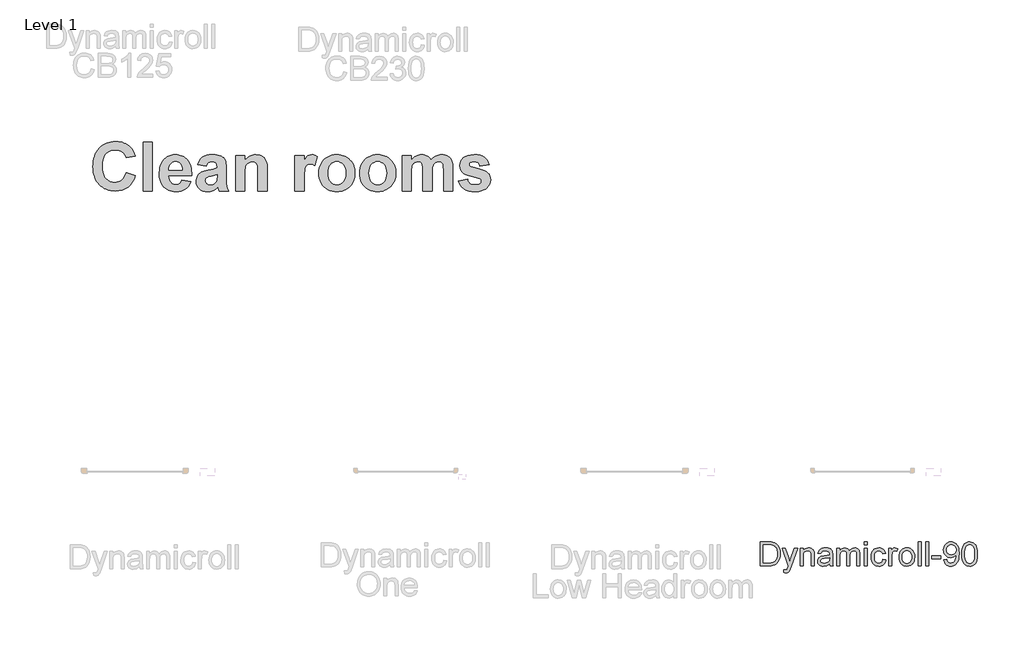
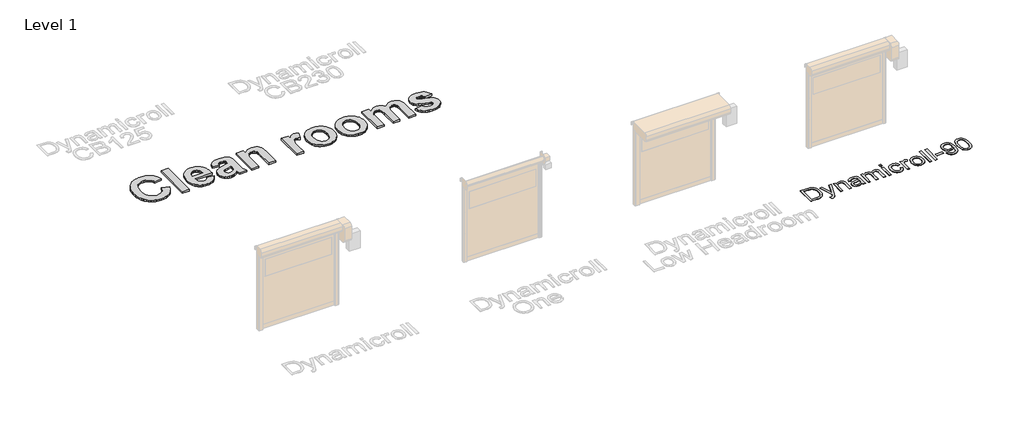
# One storey, part 15 of 18: 2 proxies.
"""IFC4 building model written with IfcOpenShell, lengths in millimetres."""

import ifcopenshell
import ifcopenshell.guid

model = None  # the IFC model being written
_history = None  # IfcOwnerHistory: only IFC2X3 demands one
_inside = {}  # id of a spatial element -> (the spatial element, [elements in it])
_under = {}  # id of a project, library or spatial element -> (it, [spatial elements below it])
_declared = {}  # id of a project -> (the project, [libraries it declares])
_typed = {}  # id of a type object -> (the type object, [elements of that type])
_made_of = {}  # id of a material, layer set ... -> (it, [elements and type objects made of it])


def new_model(schema):
    """Start an empty IFC model of exactly this schema.

    Asked for "IFC4X3", IfcOpenShell would pick the latest addendum, in which some entities
    have other attributes; the version numbers below select the first issue.
    IFC2X3 requires an IfcOwnerHistory on every rooted entity: one is made here for all.
    """
    global model, _history
    if schema == "IFC4X3":
        model = ifcopenshell.file(schema_version=(4, 3, 0, 0))
    else:
        model = ifcopenshell.file(schema=schema)
    _inside.clear()
    _under.clear()
    _declared.clear()
    _typed.clear()
    _made_of.clear()
    _history = None
    if model.schema == "IFC2X3":
        org = make("IfcOrganization", Name="unknown")
        user = make(
            "IfcPersonAndOrganization",
            ThePerson=make("IfcPerson", FamilyName="unknown"),
            TheOrganization=org,
        )
        app = make(
            "IfcApplication",
            ApplicationDeveloper=org,
            Version="unknown",
            ApplicationFullName="unknown",
            ApplicationIdentifier="unknown",
        )
        _history = make(
            "IfcOwnerHistory",
            OwningUser=user,
            OwningApplication=app,
            ChangeAction="ADDED",
            CreationDate=0,
        )
    return model


def make(cls, **values):
    """One entity of the class cls with the attributes given. An attribute that is None is left unset."""
    return model.create_entity(
        cls, **{name: value for name, value in values.items() if value is not None}
    )


def rooted(cls, **values):
    """An entity with a GlobalId (a new one), such as an element, a storey or a relation."""
    return make(cls, GlobalId=ifcopenshell.guid.new(), OwnerHistory=_history, **values)


def si_unit(unit_type, name, prefix=None):
    """IfcSIUnit, for example si_unit("LENGTHUNIT", "METRE", prefix="MILLI")."""
    return make("IfcSIUnit", UnitType=unit_type, Prefix=prefix, Name=name)


def assignment(units):
    """IfcUnitAssignment: the units of a project."""
    return None if units is None else make("IfcUnitAssignment", Units=units)


def point(xyz):
    """IfcCartesianPoint."""
    return None if xyz is None else make("IfcCartesianPoint", Coordinates=xyz)


def direction(xyz):
    """IfcDirection."""
    return None if xyz is None else make("IfcDirection", DirectionRatios=xyz)


def frame(location, z_axis=None, x_axis=None):
    """IfcAxis2Placement3D, a coordinate frame: its origin and axes. An axis left out is left unset."""
    return make(
        "IfcAxis2Placement3D",
        Location=point(location),
        Axis=direction(z_axis),
        RefDirection=direction(x_axis),
    )


def origin():
    """The frame at (0, 0, 0) with its axes left unset."""
    return frame((0.0, 0.0, 0.0))


def origin_with_axes():
    """The frame at (0, 0, 0) with the z axis (0, 0, 1) and the x axis (1, 0, 0) written out."""
    return frame((0.0, 0.0, 0.0), z_axis=(0.0, 0.0, 1.0), x_axis=(1.0, 0.0, 0.0))


def place(relative_to, where):
    """IfcLocalPlacement: puts the frame where relative to a parent placement (None: the world)."""
    return make(
        "IfcLocalPlacement", PlacementRelTo=relative_to, RelativePlacement=where
    )


def context(
    kind, dimensions, precision=None, world=None, true_north=None, identifier=None
):
    """IfcGeometricRepresentationContext, for example the 3D "Model" context."""
    return make(
        "IfcGeometricRepresentationContext",
        ContextIdentifier=identifier,
        ContextType=kind,
        CoordinateSpaceDimension=dimensions,
        Precision=precision,
        WorldCoordinateSystem=world,
        TrueNorth=true_north,
    )


def project(units=None, contexts=None):
    """IfcProject with its units and contexts."""
    return rooted(
        "IfcProject",
        Name="project",
        RepresentationContexts=contexts,
        UnitsInContext=assignment(units),
    )


def spatial(cls, under=None, at=None, **own):
    """A site, building, storey or space (cls), placed at a placement, below another one or the project."""
    s = rooted(cls, ObjectPlacement=at, **own)
    if under is not None:
        _under.setdefault(under.id(), (under, []))[1].append(s)
    return s


def polyline(points):
    """IfcPolyline through the points."""
    return make("IfcPolyline", Points=[point(p) for p in points])


def outline(outer, holes=None, kind="AREA"):
    """IfcArbitraryClosedProfileDef: a profile drawn as a closed curve; with holes, ...WithVoids."""
    if holes is None:
        return make("IfcArbitraryClosedProfileDef", ProfileType=kind, OuterCurve=outer)
    return make(
        "IfcArbitraryProfileDefWithVoids",
        ProfileType=kind,
        OuterCurve=outer,
        InnerCurves=holes,
    )


def extrude(swept, where, along, depth):
    """IfcExtrudedAreaSolid: the profile swept, set in the frame where, extruded along a direction by depth."""
    return make(
        "IfcExtrudedAreaSolid",
        SweptArea=swept,
        Position=where,
        ExtrudedDirection=direction(along),
        Depth=depth,
    )


def shape(context_of_items, identifier, shape_type, items):
    """IfcShapeRepresentation: the items that make up one representation, for example the "Body"."""
    return make(
        "IfcShapeRepresentation",
        ContextOfItems=context_of_items,
        RepresentationIdentifier=identifier,
        RepresentationType=shape_type,
        Items=items,
    )


def made_of(thing, what):
    """Note that an element or type object is made of a material, layer set ...; save() writes the relation."""
    if what is not None:
        _made_of.setdefault(what.id(), (what, []))[1].append(thing)
    return thing


def element(
    cls,
    number,
    at=None,
    inside=None,
    cuts=None,
    type_object=None,
    material=None,
    context=None,
    identifier="Body",
    shape_type=None,
    held_by="IfcProductDefinitionShape",
    body=None,
    shapes=None,
    **own,
):
    """One element of the class cls, such as IfcWall. Its Tag is "e" and its number.

    at: its placement. inside: the storey or other place that contains it. cuts: it is an
    opening in that element (IfcRelVoidsElement). A single representation is given by context,
    identifier, shape_type and body (its items); several are given by shapes. held_by: the class
    of the entity that holds the representations. save() writes the other relations.
    """
    e = rooted(cls, Tag="e%d" % number, ObjectPlacement=at, **own)
    if body is not None:
        shapes = [shape(context, identifier, shape_type, body)]
    if shapes is not None:
        e.Representation = make(held_by, Representations=shapes)
    if inside is not None:
        _inside.setdefault(inside.id(), (inside, []))[1].append(e)
    if cuts is not None:
        rooted(
            "IfcRelVoidsElement", RelatingBuildingElement=cuts, RelatedOpeningElement=e
        )
    if type_object is not None:
        _typed.setdefault(type_object.id(), (type_object, []))[1].append(e)
    return made_of(e, material)


def aggregate(whole, parts):
    """IfcRelAggregates: a whole, such as a stair, and the parts it consists of."""
    return rooted("IfcRelAggregates", RelatingObject=whole, RelatedObjects=parts)


def save(model, path):
    """Write the relations noted so far, then the file.

    IfcRelAggregates (storeys below a building ...), IfcRelContainedInSpatialStructure (elements
    in a storey), IfcRelDefinesByType, IfcRelAssociatesMaterial and IfcRelDeclares: one each for
    every whole, place, type object, material and project.
    """
    for whole, parts in _under.values():
        aggregate(whole, parts)
    for where, things in _inside.values():
        rooted(
            "IfcRelContainedInSpatialStructure",
            RelatedElements=things,
            RelatingStructure=where,
        )
    for kind, things in _typed.values():
        rooted("IfcRelDefinesByType", RelatedObjects=things, RelatingType=kind)
    for what, things in _made_of.values():
        rooted("IfcRelAssociatesMaterial", RelatedObjects=things, RelatingMaterial=what)
    for by, libraries in _declared.values():
        rooted("IfcRelDeclares", RelatingContext=by, RelatedDefinitions=libraries)
    model.write(path)


model = new_model("IFC4")

# Units and contexts
model_context = context("Model", 3, world=origin())
ifc_project = project(units=[si_unit("LENGTHUNIT", "METRE", prefix="MILLI")], contexts=[model_context])

# Site, building, storey
site = spatial("IfcSite", under=ifc_project)
building = spatial("IfcBuilding", under=site)
storey = spatial("IfcBuildingStorey", under=building, Name="Level 1", Elevation=0.0)

# Proxies
placement = place(None, origin())
element("IfcBuildingElementProxy", 1, Name="1000", ObjectType="1000", at=placement, inside=storey, context=model_context, shape_type="SweptSolid", body=[
    extrude(outline(polyline([(1304.7408851, 50927.9098645), (1499.0760089, 50863.1314899), (1472.2378981, 50786.2941528), (1437.7769415, 50720.0054425), (1395.6931391, 50664.2653592), (1371.7926706, 50640.3510527), (1345.9864908, 50619.0739028), (1288.8625921, 50584.1464027), (1224.5270384, 50559.1981884), (1152.9798297, 50544.2292598), (1074.2209661, 50539.2396169), (1024.4312889, 50541.3706926), (976.9110689, 50547.7639196), (931.6603061, 50558.419298), (888.6790006, 50573.3368278), (847.9671522, 50592.5165089), (809.5247611, 50615.9583413), (773.3518272, 50643.6623252), (739.4483505, 50675.6284603), (708.7276491, 50711.2913594), (682.1030413, 50750.085635), (659.574527, 50792.0112872), (641.1421062, 50837.0683158), (626.8057789, 50885.2567209), (616.5655451, 50936.5765025), (610.4214049, 50991.0276607), (608.3733581, 51048.6101953), (610.4391968, 51109.4269042), (616.6367128, 51166.7484908), (626.9659061, 51220.5749552), (641.4267768, 51270.9062972), (660.0193248, 51317.7425171), (682.7435501, 51361.0836146), (709.5994528, 51400.9295899), (740.5870328, 51437.2804429), (774.9432148, 51469.7210291), (811.9049235, 51497.8362038), (851.4721589, 51521.6259669), (893.6449209, 51541.0903186), (938.4232095, 51556.2292588), (985.8070249, 51567.0427876), (1035.7963669, 51573.5309048), (1088.3912355, 51575.6936105), (1134.349721, 51573.9104656), (1178.0941019, 51568.5610307), (1219.6243782, 51559.6453059), (1258.9405499, 51547.1632913), (1296.042617, 51531.1149867), (1330.9305795, 51511.5003922), (1363.6044374, 51488.3195077), (1394.0641907, 51461.5723334), (1426.9120139, 51424.2330408), (1455.363258, 51379.5239429), (1479.417923, 51327.4450397), (1499.0760089, 51267.9963312), (1304.7408851, 51235.6071439), (1292.4921421, 51271.1988753), (1274.9769932, 51302.8210336), (1252.1954384, 51330.4736185), (1224.1474776, 51354.1566302), (1191.8136429, 51373.1425772), (1156.1744664, 51386.7039678), (1117.2299479, 51394.8408023), (1074.9800877, 51397.5530804), (1017.2314952, 51392.6266977), (965.1921295, 51377.8475494), (918.8619908, 51353.2156358), (878.2410789, 51318.7309566), (860.5381265, 51297.5012519), (845.1955677, 51273.2231996), (832.2134026, 51245.8967996), (821.5916312, 51215.5220522), (807.4292692, 51145.6275144), (802.7084819, 51063.5395864), (807.2869339, 50976.6517958), (821.02229, 50903.2384133), (831.323807, 50871.584625), (843.91455, 50843.2994387), (858.7945191, 50818.3828545), (875.9637141, 50796.8348722), (915.3510535, 50762.07343), (960.2578393, 50737.2438284), (1010.6840716, 50722.3460674), (1066.6297503, 50717.3801471), (1108.2786393, 50720.5510612), (1146.9384872, 50730.0638034), (1182.6092938, 50745.9183739), (1215.2910592, 50768.1147725), (1244.2721069, 50797.1274503), (1268.8407605, 50833.4308582), (1288.9970199, 50877.0249963), (1304.7408851, 50927.9098645)])), origin_with_axes(), (0.0, 0.0, 1.0), 50.0),
    extrude(outline(polyline([(1661.0219454, 50539.2396169), (1661.0219454, 51559.4990169), (1855.3570692, 51559.4990169), (1855.3570692, 50539.2396169), (1661.0219454, 50539.2396169)])), origin_with_axes(), (0.0, 0.0, 1.0), 50.0),
    extrude(outline(polyline([(2470.7516279, 50765.963928), (2665.0867517, 50733.5747407), (2644.084388, 50685.1570176), (2617.7681734, 50642.8913423), (2586.1381076, 50606.7777148), (2549.1941909, 50576.816135), (2507.1103884, 50553.2912736), (2460.0606657, 50536.4878012), (2408.0450226, 50526.4057178), (2351.0634592, 50523.0450233), (2305.5280258, 50525.0258562), (2263.0528013, 50530.9683548), (2223.6377857, 50540.8725191), (2187.2829789, 50554.7383491), (2153.9883809, 50572.5658449), (2123.7539919, 50594.3550065), (2096.5798117, 50620.1058337), (2072.4658403, 50649.8183267), (2041.2469654, 50703.8899241), (2018.9477691, 50764.6354653), (2005.5682513, 50832.0549504), (2001.108412, 50906.1483793), (2007.0232343, 50993.5106208), (2014.4167622, 51033.4435788), (2024.7677012, 51070.8777616), (2038.0760513, 51105.8131692), (2054.3418126, 51138.2498016), (2073.5649851, 51168.1876588), (2095.7455687, 51195.6267408), (2120.187702, 51220.1795793), (2146.1955235, 51241.4587061), (2173.7690333, 51259.464121), (2202.9082313, 51274.1958241), (2233.6131176, 51285.6538154), (2265.8836922, 51293.8380949), (2299.719955, 51298.7486626), (2335.1219061, 51300.3855185), (2374.663442, 51298.7051713), (2412.0620409, 51293.6641295), (2447.3177029, 51285.2623933), (2480.430428, 51273.4999626), (2511.4002161, 51258.3768375), (2540.2270672, 51239.8930178), (2566.9109814, 51218.0485037), (2591.4519587, 51192.843295), (2613.391363, 51164.1666867), (2632.2705585, 51131.9079734), (2648.0895451, 51096.0671552), (2660.8483229, 51056.644232), (2670.5468918, 51013.6392039), (2677.1852518, 50967.0520709), (2680.763403, 50916.8828329), (2681.2813453, 50863.1314899), (2195.4435358, 50863.1314899), (2199.0651784, 50819.6401496), (2207.9057817, 50781.2728798), (2221.9653459, 50748.0296808), (2241.243871, 50719.9105523), (2264.4761543, 50697.5480959), (2290.3969931, 50681.5749127), (2319.0063876, 50671.9910028), (2350.3043376, 50668.7963661), (2391.1071224, 50674.5530381), (2408.8990344, 50681.7488781), (2424.9512927, 50691.823054), (2439.2006373, 50705.0918666), (2451.5838081, 50721.8716164), (2470.7516279, 50765.963928)]), holes=[polyline([(2486.9462215, 50976.4936455), (2483.4827293, 51017.5257482), (2475.1165769, 51053.3230751), (2461.8477644, 51083.8856261), (2443.6762916, 51109.2134013), (2421.9464365, 51129.0849901), (2398.0024767, 51143.278982), (2371.8444124, 51151.7953772), (2343.4722434, 51154.6341756), (2313.3287908, 51151.6451344), (2285.9055238, 51142.6780108), (2261.2024425, 51127.7328047), (2239.2195468, 51106.8095163), (2221.3169296, 51080.6356369), (2208.6016432, 51050.1916986), (2201.0736875, 51015.4777015), (2198.7330627, 50976.4936455), (2486.9462215, 50976.4936455)])]), origin_with_axes(), (0.0, 0.0, 1.0), 50.0),
    extrude(outline(polyline([(2988.9786247, 51057.4666137), (2810.8380945, 51089.855801), (2827.5783068, 51140.0210853), (2849.4584048, 51183.2277551), (2876.4783884, 51219.4758104), (2908.6382577, 51248.7652512), (2947.5669611, 51271.3491182), (2994.893447, 51287.4804517), (3050.6177153, 51297.1592518), (3114.739766, 51300.3855185), (3172.8916418, 51298.4323619), (3223.1043712, 51292.5728923), (3265.377954, 51282.8071095), (3299.7123903, 51269.1350136), (3327.8315188, 51252.4659689), (3351.4591779, 51233.7093399), (3370.5953676, 51212.8651266), (3385.2400881, 51189.933329), (3396.0892006, 51160.9364662), (3403.8385667, 51121.8970576), (3408.4881864, 51072.8151031), (3410.0380596, 51013.6906028), (3410.0380596, 50783.9298054), (3412.6000949, 50698.6551482), (3420.2862009, 50639.1906246), (3434.9941814, 50590.9231443), (3458.6218405, 50539.2396169), (3264.2867167, 50539.2396169), (3246.0677989, 50600.9815052), (3239.2357047, 50625.5264362), (3188.9439002, 50580.7698932), (3135.2360486, 50548.7286367), (3107.0694751, 50537.4920558), (3077.9856296, 50529.4659266), (3047.9845123, 50524.6502491), (3017.066123, 50523.0450233), (2964.5839365, 50526.9434289), (2917.9691271, 50538.6386457), (2877.221695, 50558.1306737), (2842.34164, 50585.4195129), (2814.3885694, 50618.6548045), (2794.4220904, 50655.9861895), (2782.442203, 50697.4136681), (2778.4489072, 50742.9372402), (2780.2280984, 50773.5867739), (2785.565672, 50802.528284), (2794.461628, 50829.7617706), (2806.9159664, 50855.2872336), (2822.5807564, 50878.5195169), (2841.1080674, 50898.8734642), (2862.4978994, 50916.3490755), (2886.7502523, 50930.9463508), (2949.4410425, 50955.554542), (3034.7789598, 50976.746686), (3145.2944095, 51001.7344379), (3215.7029358, 51025.0774264), (3215.7029358, 51045.573709), (3214.1926001, 51072.9337159), (3209.6615932, 51096.0552939), (3202.109915, 51114.9384432), (3191.5375656, 51129.5831636), (3176.7900474, 51140.5429814), (3156.7128632, 51148.3714226), (3131.3060129, 51153.0684874), (3100.5694966, 51154.6341756), (3060.2727928, 51149.2570645), (3043.8726037, 51142.5356755), (3029.9711899, 51133.1257309), (3017.9201348, 51120.3313694), (3007.0710223, 51103.4567293), (2988.9786247, 51057.4666137)]), holes=[polyline([(3215.7029358, 50879.3260836), (3106.1363881, 50852.3772676), (3044.1414593, 50836.9101655), (3007.9566641, 50821.6328437), (2992.5686371, 50808.6487017), (2981.5771893, 50793.9881663), (2974.9823206, 50777.6512373), (2972.784031, 50759.6379149), (2974.5474072, 50741.7906503), (2979.8375357, 50725.1927733), (2988.6544165, 50709.8442839), (3000.9980497, 50695.7451821), (3016.0618685, 50683.9550751), (3033.0393062, 50675.5335701), (3051.930363, 50670.4806671), (3072.7350387, 50668.7963661), (3096.8529638, 50670.7574302), (3120.3699177, 50676.6406224), (3143.2859003, 50686.4459428), (3165.6009117, 50700.1733913), (3192.8027682, 50726.6161263), (3208.6178011, 50758.3727123), (3213.9316521, 50791.0782002), (3215.7029358, 50844.1534505), (3215.7029358, 50879.3260836)])]), origin_with_axes(), (0.0, 0.0, 1.0), 50.0),
    extrude(outline(polyline([(4268.351523, 50539.2396169), (4074.0163992, 50539.2396169), (4074.0163992, 50922.0899324), (4070.9799129, 51022.2939807), (4067.184305, 51056.2646712), (4061.870454, 51079.4811395), (4045.8656407, 51111.1744653), (4022.1430915, 51134.8970146), (3991.8414885, 51149.6998854), (3956.0995142, 51154.6341756), (3931.9420515, 51152.8707995), (3909.0656065, 51147.580671), (3887.4701791, 51138.7637902), (3867.1557694, 51126.420157), (3849.0317418, 51111.1586503), (3834.0074605, 51093.5881488), (3822.0829258, 51073.7086525), (3813.2581374, 51051.5201614), (3806.8925867, 51023.2349751), (3802.3457647, 50985.0653933), (3798.7083072, 50879.0730431), (3798.7083072, 50539.2396169), (3604.3731834, 50539.2396169), (3604.3731834, 51284.1909248), (3798.7083072, 51284.1909248), (3798.7083072, 51176.9017419), (3822.5455155, 51205.843252), (3847.8772444, 51230.9258942), (3874.7034938, 51252.1496683), (3903.0242639, 51269.5145743), (3932.8395546, 51283.0206124), (3964.149366, 51292.6677825), (3996.9536979, 51298.4560845), (4031.2525504, 51300.3855185), (4090.3375132, 51294.5023263), (4117.8873004, 51287.148336), (4144.1086249, 51276.8527496), (4189.0233182, 51250.093714), (4206.8310452, 51234.2944962), (4221.5390258, 51216.882145), (4243.8382221, 51178.0087942), (4258.1033817, 51134.2644133), (4265.7894877, 51078.0577865), (4268.351523, 51001.7976981), (4268.351523, 50539.2396169)])), origin_with_axes(), (0.0, 0.0, 1.0), 50.0),
    extrude(outline(polyline([(5045.6920182, 50539.2396169), (4851.3568944, 50539.2396169), (4851.3568944, 51284.1909248), (5045.6920182, 51284.1909248), (5045.6920182, 51180.4443093), (5086.7478436, 51241.4587061), (5105.6151778, 51262.5006073), (5123.3754597, 51277.2323104), (5160.1928562, 51294.5972165), (5201.8180227, 51300.3855185), (5232.4201112, 51297.8234832), (5262.4844887, 51290.1373772), (5292.0111551, 51277.3272006), (5321.0001103, 51259.3929533), (5264.3190325, 51074.420329), (5217.5065353, 51098.1428783), (5195.4287494, 51104.0735156), (5174.2366053, 51106.0503947), (5136.8814977, 51100.5151332), (5120.5524763, 51093.5960563), (5105.7891431, 51083.9093487), (5092.5519606, 51070.6168136), (5080.8013912, 51052.8802542), (5061.7600916, 51004.0750628), (5054.7303095, 50967.3209264), (5049.7090366, 50914.7517572), (5045.6920182, 50762.1683202), (5045.6920182, 50539.2396169)])), origin_with_axes(), (0.0, 0.0, 1.0), 50.0),
    extrude(outline(polyline([(5353.3892976, 50922.342973), (5356.3862463, 50970.9188464), (5365.3770925, 51018.7197832), (5380.3618361, 51065.7457834), (5401.3404772, 51111.996847), (5427.8069347, 51155.1481642), (5459.2551276, 51192.8749251), (5495.6850558, 51225.1771297), (5537.0967193, 51252.0547781), (5582.2802682, 51273.199477), (5630.0258524, 51288.3028334), (5680.3334719, 51297.3648472), (5733.2031268, 51300.3855185), (5774.1344087, 51298.6735412), (5813.1718405, 51293.5376093), (5850.315422, 51284.9777227), (5885.5651534, 51272.9938816), (5918.9210346, 51257.5860858), (5950.3830656, 51238.7543354), (5979.9512464, 51216.4986304), (6007.625577, 51190.8189708), (6032.6825197, 51162.5219233), (6054.3985367, 51132.4140545), (6072.773628, 51100.4953644), (6087.8077936, 51066.7658531), (6099.5010335, 51031.2255205), (6107.8533478, 50993.8743666), (6112.8647363, 50954.7123915), (6114.5351992, 50913.7395951), (6112.8469444, 50872.4485212), (6107.7821801, 50832.9643148), (6099.3409063, 50795.2869758), (6087.523123, 50759.4165044), (6072.3288302, 50725.3529005), (6053.7580279, 50693.0961641), (6031.810716, 50662.6462952), (6006.4868946, 50634.0032938), (5978.6049917, 50607.9974492), (5948.9834352, 50585.4590505), (5917.622225, 50566.3880977), (5884.5213612, 50550.7845909), (5849.6808438, 50538.6485301), (5813.1006728, 50529.9799152), (5774.7808482, 50524.7787463), (5734.72137, 50523.0450233), (5684.5798083, 50525.9312668), (5635.624374, 50534.5899973), (5587.8550673, 50549.0212148), (5541.271888, 50569.2249192), (5498.0335881, 50595.0113303), (5460.2989197, 50626.1906676), (5428.0678828, 50662.7629311), (5401.3404772, 50704.7281208), (5380.3618361, 50751.8252887), (5365.3770925, 50803.7934866), (5356.3862463, 50860.6327147), (5353.3892976, 50922.342973)]), holes=[polyline([(5547.7244214, 50911.7152709), (5551.0851159, 50856.3231183), (5561.1671993, 50807.810505), (5577.9706717, 50766.177431), (5601.4955331, 50731.4238963), (5629.9546848, 50704.0243518), (5661.5610279, 50684.4532487), (5696.3145626, 50672.7105868), (5734.2152889, 50668.7963661), (5772.1002001, 50672.7105868), (5806.8062897, 50684.4532487), (5838.3335577, 50704.0243518), (5866.6820041, 50731.4238963), (5890.0961603, 50766.2723212), (5906.8205576, 50808.1900658), (5916.8551959, 50857.1771301), (5920.2000754, 50913.233514), (5916.8551959, 50967.9614353), (5906.8205576, 51015.9995976), (5890.0961603, 51057.348001), (5866.6820041, 51092.0066455), (5838.3335577, 51119.4061899), (5806.8062897, 51138.9772931), (5772.1002001, 51150.719955), (5734.2152889, 51154.6341756), (5696.3145626, 51150.719955), (5661.5610279, 51138.9772931), (5629.9546848, 51119.4061899), (5601.4955331, 51092.0066455), (5577.9706717, 51057.2531108), (5561.1671993, 51015.6200368), (5551.0851159, 50967.1074235), (5547.7244214, 50911.7152709)])]), origin_with_axes(), (0.0, 0.0, 1.0), 50.0),
    extrude(outline(polyline([(6211.7027611, 50922.342973), (6214.6997098, 50970.9188464), (6223.690556, 51018.7197832), (6238.6752996, 51065.7457834), (6259.6539407, 51111.996847), (6286.1203982, 51155.1481642), (6317.568591, 51192.8749251), (6353.9985192, 51225.1771297), (6395.4101828, 51252.0547781), (6440.5937317, 51273.199477), (6488.3393159, 51288.3028334), (6538.6469354, 51297.3648472), (6591.5165903, 51300.3855185), (6632.4478722, 51298.6735412), (6671.4853039, 51293.5376093), (6708.6288855, 51284.9777227), (6743.8786168, 51272.9938816), (6777.234498, 51257.5860858), (6808.696529, 51238.7543354), (6838.2647098, 51216.4986304), (6865.9390405, 51190.8189708), (6890.9959832, 51162.5219233), (6912.7120002, 51132.4140545), (6931.0870915, 51100.4953644), (6946.1212571, 51066.7658531), (6957.814497, 51031.2255205), (6966.1668112, 50993.8743666), (6971.1781998, 50954.7123915), (6972.8486626, 50913.7395951), (6971.1604079, 50872.4485212), (6966.0956436, 50832.9643148), (6957.6543698, 50795.2869758), (6945.8365865, 50759.4165044), (6930.6422937, 50725.3529005), (6912.0714913, 50693.0961641), (6890.1241795, 50662.6462952), (6864.8003581, 50634.0032938), (6836.9184552, 50607.9974492), (6807.2968986, 50585.4590505), (6775.9356885, 50566.3880977), (6742.8348247, 50550.7845909), (6707.9943073, 50538.6485301), (6671.4141363, 50529.9799152), (6633.0943116, 50524.7787463), (6593.0348334, 50523.0450233), (6542.8932717, 50525.9312668), (6493.9378375, 50534.5899973), (6446.1685307, 50549.0212148), (6399.5853514, 50569.2249192), (6356.3470516, 50595.0113303), (6318.6123832, 50626.1906676), (6286.3813462, 50662.7629311), (6259.6539407, 50704.7281208), (6238.6752996, 50751.8252887), (6223.690556, 50803.7934866), (6214.6997098, 50860.6327147), (6211.7027611, 50922.342973)]), holes=[polyline([(6406.0378849, 50911.7152709), (6409.3985793, 50856.3231183), (6419.4806628, 50807.810505), (6436.2841352, 50766.177431), (6459.8089966, 50731.4238963), (6488.2681482, 50704.0243518), (6519.8744914, 50684.4532487), (6554.6280261, 50672.7105868), (6592.5287524, 50668.7963661), (6630.4136636, 50672.7105868), (6665.1197532, 50684.4532487), (6696.6470212, 50704.0243518), (6724.9954676, 50731.4238963), (6748.4096238, 50766.2723212), (6765.134021, 50808.1900658), (6775.1686594, 50857.1771301), (6778.5135388, 50913.233514), (6775.1686594, 50967.9614353), (6765.134021, 51015.9995976), (6748.4096238, 51057.348001), (6724.9954676, 51092.0066455), (6696.6470212, 51119.4061899), (6665.1197532, 51138.9772931), (6630.4136636, 51150.719955), (6592.5287524, 51154.6341756), (6554.6280261, 51150.719955), (6519.8744914, 51138.9772931), (6488.2681482, 51119.4061899), (6459.8089966, 51092.0066455), (6436.2841352, 51057.2531108), (6419.4806628, 51015.6200368), (6409.3985793, 50967.1074235), (6406.0378849, 50911.7152709)])]), origin_with_axes(), (0.0, 0.0, 1.0), 50.0),
    extrude(outline(polyline([(7102.4054118, 51284.1909248), (7296.7405356, 51284.1909248), (7296.7405356, 51184.4929577), (7320.1191079, 51211.6552766), (7344.58101, 51235.195953), (7370.1262418, 51255.1149869), (7396.7548034, 51271.4123783), (7424.4666948, 51284.0881271), (7453.2619158, 51293.1422334), (7483.1404667, 51298.5746972), (7514.1023473, 51300.3855185), (7546.5152571, 51298.6063273), (7576.6982473, 51293.2687537), (7604.6513179, 51284.3727977), (7630.3744689, 51271.9184593), (7653.8835152, 51255.8582935), (7675.194272, 51236.144855), (7694.3067392, 51212.778144), (7711.2209168, 51185.7581603), (7735.615605, 51212.778144), (7760.9750102, 51236.144855), (7787.2991324, 51255.8582935), (7814.5879716, 51271.9184593), (7842.8257128, 51284.3727977), (7871.9965409, 51293.2687537), (7902.100456, 51298.6063273), (7933.137458, 51300.3855185), (7971.5838028, 51298.3058417), (8006.9620314, 51292.0668112), (8039.2721435, 51281.6684271), (8068.5141392, 51267.1106894), (8094.4824232, 51248.5201182), (8116.9713999, 51226.023234), (8135.9810694, 51199.6200366), (8151.5114317, 51169.3105261), (8160.1464396, 51141.8398141), (8166.3143025, 51106.9992967), (8171.2485927, 51015.2088459), (8171.2485927, 50539.2396169), (7976.9134689, 50539.2396169), (7976.9134689, 50968.1433081), (7971.9791787, 51059.9337589), (7965.8113158, 51090.9786684), (7957.1763079, 51112.1233673), (7942.2152868, 51130.721846), (7923.6484382, 51144.0064736), (7901.4757622, 51151.9772501), (7875.6972586, 51154.6341756), (7855.9996352, 51153.0447648), (7836.887168, 51148.2765324), (7800.4177022, 51129.2036028), (7784.0016981, 51115.0096108), (7770.0528391, 51097.8582077), (7758.5711252, 51077.7493934), (7749.5565565, 51054.683168), (7742.7481849, 51026.5798546), (7737.8850622, 50991.3597764), (7733.9945642, 50899.5693257), (7733.9945642, 50539.2396169), (7539.6594404, 50539.2396169), (7539.6594404, 50950.4304713), (7537.1290351, 51040.5445286), (7529.5378193, 51091.753605), (7516.6643826, 51119.4615426), (7498.2873144, 51139.0721833), (7473.3311925, 51150.7436776), (7440.7205948, 51154.6341756), (7419.3861155, 51153.0922099), (7399.1586884, 51148.4663128), (7380.0383137, 51140.7564843), (7362.0249913, 51129.9627244), (7345.7987675, 51116.2510909), (7332.039689, 51099.7876417), (7320.7477555, 51080.5723768), (7311.9229672, 51058.6052961), (7305.2806534, 51031.4271621), (7300.5361435, 50996.5787372), (7296.7405356, 50903.8710146), (7296.7405356, 50539.2396169), (7102.4054118, 50539.2396169), (7102.4054118, 51284.1909248)])), origin_with_axes(), (0.0, 0.0, 1.0), 50.0),
    extrude(outline(polyline([(8284.6107483, 50749.7693344), (8478.9458721, 50782.1585217), (8486.6082555, 50756.0004573), (8497.4494605, 50733.1951799), (8511.4694871, 50713.7426895), (8528.6683354, 50697.6429861), (8549.3148608, 50685.0225899), (8573.6779189, 50676.0080211), (8601.7575098, 50670.5992799), (8633.5536333, 50668.7963661), (8668.3308906, 50670.5202047), (8698.5217883, 50675.6917205), (8724.1263265, 50684.3109134), (8745.1445052, 50696.3777834), (8756.2150282, 50706.8157051), (8764.1225446, 50718.8983902), (8768.8670545, 50732.6258388), (8770.4485578, 50747.9980507), (8767.0957708, 50768.1147725), (8757.0374099, 50784.4358864), (8734.0739822, 50797.7837742), (8693.5242379, 50809.9929795), (8589.1608361, 50835.3919223), (8505.8314279, 50859.7154428), (8443.5360135, 50882.9635411), (8402.2745928, 50905.1362172), (8364.9669302, 50938.1738209), (8338.3185999, 50977.0629867), (8322.3296016, 51021.8037146), (8316.9999356, 51072.3960048), (8321.5704801, 51118.6866059), (8335.2821136, 51161.1499692), (8358.134836, 51199.7860945), (8390.1286475, 51234.5949818), (8431.737999, 51263.3783416), (8483.4373414, 51283.9378843), (8545.2266748, 51296.2736099), (8617.1059991, 51300.3855185), (8685.5376463, 51297.0643616), (8744.575164, 51287.1008909), (8794.2185522, 51270.4951064), (8834.4678108, 51247.2470081), (8867.2523739, 51217.4831162), (8894.5016755, 51181.3299511), (8916.2157157, 51138.7875127), (8932.3944943, 51089.855801), (8738.0593705, 51057.4666137), (8723.7625808, 51099.0285201), (8713.293029, 51115.6817497), (8700.6093727, 51129.5831636), (8685.363681, 51140.5429814), (8667.2080233, 51148.3714226), (8646.1423995, 51153.0684874), (8622.1668097, 51154.6341756), (8566.8141946, 51149.3203246), (8546.0174264, 51142.6780108), (8529.8070178, 51133.3787715), (8515.953049, 51115.9189752), (8511.3350594, 51093.9044495), (8515.953049, 51074.8631499), (8529.8070178, 51058.7318164), (8549.8525719, 51048.1199293), (8585.1912628, 51035.5153481), (8701.748055, 51004.3281033), (8769.7606038, 50985.7138096), (8826.6551846, 50965.0435617), (8872.4317972, 50942.3173595), (8907.0904417, 50917.535203), (8932.3312341, 50888.7676582), (8950.3603716, 50854.8444127), (8961.1778541, 50815.7654665), (8964.7836816, 50771.5308196), (8959.5568132, 50722.3381599), (8943.8762081, 50676.7355126), (8917.7418663, 50634.7228778), (8881.1537878, 50596.3002555), (8858.9909961, 50579.1310605), (8834.317568, 50564.2510914), (8777.4388023, 50541.3588313), (8710.5174907, 50527.6234753), (8633.5536333, 50523.0450233), (8563.0423093, 50526.8564462), (8500.2961664, 50538.290715), (8445.3152047, 50557.3478296), (8398.0994241, 50584.02779), (8358.5064893, 50617.255174), (8326.3940651, 50655.9545595), (8301.7621514, 50700.1259462), (8284.6107483, 50749.7693344)])), origin_with_axes(), (0.0, 0.0, 1.0), 50.0),
])
element("IfcBuildingElementProxy", 2, Name="500mm", ObjectType="500mm", at=placement, inside=storey, context=model_context, shape_type="SweptSolid", body=[
    extrude(outline(polyline([(14635.3862268, 42654.3224634), (14635.3862268, 43156.6040142), (14808.6586466, 43156.6040142), (14860.4380374, 43154.795261), (14898.299226, 43149.3690016), (14938.3370499, 43135.4201426), (14972.1208797, 43113.4391934), (14990.7372415, 43095.4742893), (15006.8550715, 43075.1794659), (15020.4743695, 43052.5547232), (15031.5951356, 43027.6000612), (15046.4023859, 42971.6206842), (15051.338136, 42908.1610401), (15047.9965413, 42854.2509994), (15037.9717569, 42806.8095504), (15022.7046541, 42766.419173), (15003.636104, 42733.662347), (14981.6858116, 42707.8033085), (14957.7734819, 42688.1062933), (14930.320288, 42673.4983124), (14897.7474031, 42662.9063766), (14859.9935133, 42656.4684417), (14816.9973051, 42654.3224634), (14635.3862268, 42654.3224634)]), holes=[polyline([(14698.1714207, 42717.1076573), (14809.2717832, 42717.1076573), (14855.2263758, 42719.3762629), (14890.0831948, 42726.1820798), (14916.3867575, 42737.1265692), (14936.6815809, 42751.8111921), (14958.4939175, 42778.9884745), (14974.8799947, 42814.1671903), (14985.1347053, 42857.5006237), (14988.5529422, 42909.1420587), (14986.8783127, 42945.5930331), (14981.8544242, 42977.5681098), (14973.4812767, 43005.067289), (14961.7588702, 43028.0905705), (14947.6375665, 43047.1591206), (14932.0677275, 43062.7941054), (14915.0493531, 43074.9955249), (14896.5824434, 43083.7633791), (14860.4686942, 43091.30496), (14807.5550006, 43093.8188203), (14698.1714207, 43093.8188203), (14698.1714207, 42717.1076573)])]), origin_with_axes(), (0.0, 0.0, 1.0), 5.0),
    extrude(outline(polyline([(15129.8196283, 42513.0557773), (15121.9714791, 42573.5110518), (15153.8545854, 42567.9928219), (15170.623873, 42569.7249329), (15183.653027, 42574.9212661), (15193.8004387, 42583.2139394), (15201.9244994, 42594.2350709), (15219.0923258, 42640.4655749), (15223.9974191, 42655.6713641), (15090.5788822, 43023.1854772), (15156.7976413, 43023.1854772), (15227.5536117, 42818.3978333), (15252.2017054, 42736.4827757), (15276.8497991, 42808.8329014), (15349.5678068, 43023.1854772), (15415.2960566, 43023.1854772), (15286.9052403, 42645.4932955), (15253.5506061, 42563.5782379), (15236.4747501, 42537.4279594), (15217.1302885, 42519.3097712), (15194.65883, 42508.7331638), (15168.2019832, 42505.207628), (15150.0224812, 42507.1696653), (15129.8196283, 42513.0557773)])), origin_with_axes(), (0.0, 0.0, 1.0), 5.0),
    extrude(outline(polyline([(15467.2900453, 42654.3224634), (15467.2900453, 43023.1854772), (15530.0752391, 43023.1854772), (15530.0752391, 42971.6819979), (15551.8875757, 42997.6483354), (15578.0838395, 43016.1957193), (15608.6640303, 43027.3241497), (15643.6281483, 43031.0336265), (15674.5762211, 43028.0445853), (15702.9184632, 43019.0774616), (15726.5548814, 43005.25123), (15743.3854826, 42987.6848647), (15754.8051529, 42966.4243511), (15762.2087781, 42941.5156743), (15765.519716, 42880.8151451), (15765.519716, 42654.3224634), (15702.7345222, 42654.3224634), (15702.7345222, 42872.3538592), (15700.925769, 42904.8194453), (15695.4995096, 42927.9040405), (15685.4900536, 42944.4434019), (15669.9317109, 42957.2732864), (15649.9894411, 42965.5046461), (15626.8282038, 42968.2484326), (15607.7634859, 42966.7079268), (15590.0553327, 42962.0864092), (15573.7037445, 42954.3838799), (15558.7087211, 42943.6003389), (15546.1815727, 42928.5095129), (15537.2336096, 42907.8851286), (15531.8648317, 42881.7271859), (15530.0752391, 42850.0356848), (15530.0752391, 42654.3224634), (15467.2900453, 42654.3224634)])), origin_with_axes(), (0.0, 0.0, 1.0), 5.0),
    extrude(outline(polyline([(16087.2938345, 42701.4113588), (16057.2961234, 42675.690276), (16026.4093643, 42658.8596747), (15993.9284498, 42649.5706543), (15959.1482728, 42646.4743142), (15931.1930733, 42648.3367168), (15906.6791032, 42653.9239246), (15885.6063627, 42663.2359376), (15867.9748517, 42676.2727558), (15854.0528174, 42692.2066447), (15844.1085072, 42710.2098698), (15838.1419211, 42730.2824312), (15836.1530591, 42752.4243288), (15839.1574287, 42778.4519799), (15848.1705376, 42802.0883981), (15862.0734113, 42822.3219079), (15879.7470755, 42838.1408337), (15900.5170798, 42850.0969985), (15923.7089739, 42858.7422254), (15978.0328819, 42868.1845299), (16042.2282901, 42878.1173438), (16086.9259525, 42889.7669403), (16087.2938345, 42903.7464561), (16082.971221, 42931.7668014), (16070.0033807, 42950.0995875), (16056.9282414, 42958.0397073), (16041.0020167, 42963.7112214), (16000.5963109, 42968.2484326), (15963.1949748, 42965.2287346), (15937.0753531, 42956.1696405), (15919.2637332, 42939.4156813), (15906.7864022, 42913.311388), (15844.0012083, 42921.1595372), (15854.8997124, 42955.4951901), (15871.1631623, 42982.4732031), (15894.3090712, 43003.1052517), (15925.8549522, 43018.4030113), (15964.4365765, 43027.8759727), (16008.6897148, 43031.0336265), (16051.1341, 43028.2438547), (16084.7799742, 43019.8745393), (16110.1485034, 43007.2899094), (16127.7608539, 42991.854194), (16139.4411073, 42972.7703155), (16147.013345, 42949.2411962), (16150.0790283, 42894.3041516), (16150.0790283, 42816.1905413), (16153.2673389, 42707.1135297), (16157.9884912, 42680.1508452), (16165.7753268, 42654.3224634), (16102.9901329, 42654.3224634), (16092.9346917, 42676.1501285), (16087.2938345, 42701.4113588)]), holes=[polyline([(16087.2938345, 42826.9817465), (16045.1100323, 42816.5277664), (15986.0036585, 42807.7292554), (15931.9863188, 42797.5511869), (15917.9301609, 42790.5920858), (15907.5221662, 42780.9964971), (15901.0842312, 42769.5001847), (15898.9382529, 42756.8389127), (15903.61342, 42738.1689015), (15917.638921, 42722.8711418), (15940.7081878, 42712.6624165), (15972.514652, 42709.259508), (16006.2371682, 42713.0149701), (16036.0356098, 42724.2813562), (16060.1931941, 42740.8820312), (16076.9931386, 42760.64036), (16084.442749, 42780.9964971), (16086.9259525, 42809.2007834), (16087.2938345, 42826.9817465)])]), origin_with_axes(), (0.0, 0.0, 1.0), 5.0),
    extrude(outline(polyline([(16236.4086698, 42654.3224634), (16236.4086698, 43023.1854772), (16299.1938637, 43023.1854772), (16299.1938637, 42962.484948), (16318.0784728, 42990.3673376), (16342.3586844, 43012.2103311), (16371.2067642, 43026.3278026), (16403.7949776, 43031.0336265), (16438.7131104, 43026.2358321), (16466.7027988, 43011.8424491), (16487.6107589, 42988.8038391), (16501.2837064, 42958.0703641), (16524.1690321, 42989.9917914), (16550.2733254, 43012.7928109), (16579.5965861, 43026.4734226), (16612.1388142, 43031.0336265), (16637.2735851, 43029.1367349), (16659.3350085, 43023.4460603), (16678.3230844, 43013.9616026), (16694.2378128, 43000.6833619), (16706.8186107, 42983.4580539), (16715.8048948, 42962.1323945), (16721.1966653, 42936.7063836), (16722.9939221, 42907.1800214), (16722.9939221, 42654.3224634), (16660.2087283, 42654.3224634), (16660.2087283, 42880.2020084), (16658.7525287, 42911.5179633), (16654.38393, 42932.6251928), (16646.1985556, 42947.0798895), (16633.292029, 42958.4382461), (16616.6913539, 42965.795886), (16597.4235344, 42968.2484326), (16579.631075, 42966.6772699), (16563.4097783, 42961.9637819), (16548.7596443, 42954.1079684), (16535.6806729, 42943.1098296), (16524.9239567, 42928.6474687), (16517.2405879, 42910.3989889), (16512.6305667, 42888.3643902), (16511.0938929, 42862.5436727), (16511.0938929, 42654.3224634), (16448.3086991, 42654.3224634), (16448.3086991, 42887.1917664), (16444.6758644, 42922.6923789), (16433.7773603, 42948.0149229), (16425.3505633, 42956.8670834), (16414.6015113, 42963.1900552), (16386.1366419, 42968.2484326), (16361.9484007, 42964.876181), (16339.6608832, 42954.7594261), (16321.2667834, 42938.1434227), (16308.7587956, 42915.2734253), (16301.5850967, 42883.5436032), (16299.1938637, 42840.3481256), (16299.1938637, 42654.3224634), (16236.4086698, 42654.3224634)])), origin_with_axes(), (0.0, 0.0, 1.0), 5.0),
    extrude(outline(polyline([(16817.1717129, 43093.8188203), (16817.1717129, 43156.6040142), (16879.9569067, 43156.6040142), (16879.9569067, 43093.8188203), (16817.1717129, 43093.8188203)])), origin_with_axes(), (0.0, 0.0, 1.0), 5.0),
    extrude(outline(polyline([(16817.1717129, 42654.3224634), (16817.1717129, 43023.1854772), (16879.9569067, 43023.1854772), (16879.9569067, 42654.3224634), (16817.1717129, 42654.3224634)])), origin_with_axes(), (0.0, 0.0, 1.0), 5.0),
    extrude(outline(polyline([(17209.5791744, 42787.7410003), (17272.3643683, 42779.8928511), (17265.5355587, 42750.2668542), (17254.8593167, 42724.0514299), (17240.3356421, 42701.2465783), (17221.9645349, 42681.8522994), (17200.5200803, 42666.3744309), (17176.7763632, 42655.3188105), (17150.7333836, 42648.6854383), (17122.3911416, 42646.4743142), (17087.1779368, 42649.559158), (17055.605231, 42658.8136894), (17027.6730241, 42674.2379085), (17003.3813161, 42695.8318152), (16983.7187899, 42723.1892065), (16969.6741283, 42755.9038793), (16961.2473314, 42793.9758337), (16958.438399, 42837.4050697), (16963.2361934, 42893.2771477), (16977.6295765, 42941.6996153), (16988.4820953, 42962.6497285), (17001.8484745, 42980.8024057), (17017.7287139, 42996.1576469), (17036.1228137, 43008.7154521), (17077.1263277, 43025.4540829), (17121.5327502, 43031.0336265), (17149.3883151, 43029.1175744), (17174.5843996, 43023.3694182), (17197.1210039, 43013.7891579), (17216.998128, 43000.3767935), (17233.8785466, 42983.4388933), (17247.4250347, 42963.2820257), (17257.6375921, 42939.9061906), (17264.516219, 42913.311388), (17201.7310252, 42905.4632388), (17190.3420117, 42932.855119), (17172.6070339, 42952.4908205), (17149.5071103, 42964.3090296), (17122.0232596, 42968.2484326), (17100.6899359, 42966.3093879), (17081.4489412, 42960.4922539), (17064.3002753, 42950.7970305), (17049.2439382, 42937.2237177), (17036.9850371, 42919.458083), (17028.2286792, 42897.1858939), (17022.9748645, 42870.4071503), (17021.2235929, 42839.1218523), (17022.9365434, 42807.3652055), (17028.075395, 42780.2760615), (17036.6401477, 42757.8544203), (17048.6308015, 42740.100282), (17063.3882345, 42726.6074434), (17080.2533247, 42716.9697015), (17099.2260722, 42711.1870564), (17120.3064769, 42709.259508), (17152.8180482, 42714.0726308), (17179.4741645, 42728.5119991), (17190.2538734, 42739.4334958), (17198.8646113, 42752.9454949), (17209.5791744, 42787.7410003)])), origin_with_axes(), (0.0, 0.0, 1.0), 5.0),
    extrude(outline(polyline([(17327.3014129, 42654.3224634), (17327.3014129, 43023.1854772), (17382.2384575, 43023.1854772), (17382.2384575, 42968.6163146), (17402.5332809, 43000.2541662), (17421.233949, 43018.8935206), (17439.9959307, 43027.9986), (17460.4746951, 43031.0336265), (17491.7446647, 43026.1898469), (17523.5051436, 43011.6585081), (17502.5358699, 42955.3725628), (17480.4629502, 42965.0294652), (17458.3900305, 42968.2484326), (17439.6433771, 42965.1520925), (17422.8894179, 42955.8630721), (17409.3544262, 42941.0864786), (17400.2646752, 42921.5274192), (17392.6311238, 42886.4560024), (17390.0866067, 42848.1962749), (17390.0866067, 42654.3224634), (17327.3014129, 42654.3224634)])), origin_with_axes(), (0.0, 0.0, 1.0), 5.0),
    extrude(outline(polyline([(17547.0495913, 42838.7539703), (17550.4448356, 42886.5249802), (17560.6305683, 42927.6894427), (17577.6067895, 42962.2473576), (17601.3734993, 42990.198725), (17625.3011574, 43008.0639944), (17651.7120189, 43020.8249011), (17680.606084, 43028.4814451), (17711.9833525, 43031.0336265), (17746.6217416, 43027.92579), (17777.9415285, 43018.6022807), (17805.9427133, 43003.0630985), (17830.6252959, 42981.3082435), (17850.7706673, 42954.0734795), (17865.1602182, 42922.0945706), (17873.7939488, 42885.3715169), (17876.671859, 42843.9043183), (17871.5828247, 42780.4753309), (17865.2215319, 42754.4400156), (17856.3157219, 42732.1908191), (17844.9765259, 42712.9728169), (17831.3150747, 42696.0310846), (17815.3313684, 42681.3656222), (17797.025407, 42668.9764296), (17756.2978045, 42652.099843), (17711.9833525, 42646.4743142), (17676.8391256, 42649.5706543), (17645.2280988, 42658.8596747), (17617.1502719, 42674.3413753), (17592.6056451, 42696.0157562), (17572.6748715, 42723.5149353), (17558.4386048, 42756.4710307), (17549.8968447, 42794.8840424), (17547.0495913, 42838.7539703)]), holes=[polyline([(17609.8347852, 42838.8765977), (17611.6512025, 42808.4228662), (17617.1004546, 42782.0541578), (17626.1825413, 42759.7704724), (17638.8974628, 42741.5718099), (17654.363835, 42727.4351778), (17671.700274, 42717.3375835), (17690.9067799, 42711.2790269), (17711.9833525, 42709.259508), (17732.9526262, 42711.2905232), (17752.08249, 42717.3835687), (17769.3729437, 42727.5386447), (17784.8239875, 42741.7557509), (17797.538909, 42760.1345223), (17806.6209958, 42782.7745934), (17812.0702478, 42809.6759643), (17813.8866652, 42840.838635), (17812.0587515, 42870.3266761), (17806.5750105, 42896.0056058), (17797.4354422, 42917.875424), (17784.6400465, 42935.9361307), (17769.1315212, 42950.0727628), (17751.8525637, 42960.1703571), (17732.8031742, 42966.2289138), (17711.9833525, 42968.2484326), (17690.9067799, 42966.236578), (17671.700274, 42960.201014), (17654.363835, 42950.1417407), (17638.8974628, 42936.058758), (17626.1825413, 42917.9137451), (17617.1004546, 42895.6683807), (17611.6512025, 42869.3226649), (17609.8347852, 42838.8765977)])]), origin_with_axes(), (0.0, 0.0, 1.0), 5.0),
    extrude(outline(polyline([(17947.3052021, 42654.3224634), (17947.3052021, 43156.6040142), (18010.0903959, 43156.6040142), (18010.0903959, 42654.3224634), (17947.3052021, 42654.3224634)])), origin_with_axes(), (0.0, 0.0, 1.0), 5.0),
    extrude(outline(polyline([(18104.2681867, 42654.3224634), (18104.2681867, 43156.6040142), (18167.0533805, 43156.6040142), (18167.0533805, 42654.3224634), (18104.2681867, 42654.3224634)])), origin_with_axes(), (0.0, 0.0, 1.0), 5.0),
    extrude(outline(polyline([(18229.8385744, 42803.4372988), (18229.8385744, 42866.2224926), (18426.0423051, 42866.2224926), (18426.0423051, 42803.4372988), (18229.8385744, 42803.4372988)])), origin_with_axes(), (0.0, 0.0, 1.0), 5.0),
    extrude(outline(polyline([(18488.827499, 42779.8928511), (18551.6126928, 42787.7410003), (18562.3425843, 42752.102432), (18579.8169791, 42727.8375488), (18603.6066815, 42713.9040182), (18633.2824957, 42709.259508), (18659.9079551, 42712.2485492), (18684.1115247, 42721.2156729), (18704.2224072, 42735.1798603), (18718.569805, 42753.1600928), (18729.4376522, 42776.796511), (18739.109883, 42807.7292554), (18745.9156999, 42843.2298679), (18748.1843056, 42880.5698904), (18747.8164236, 42892.8326236), (18726.0654006, 42866.2838063), (18697.6005312, 42845.2532189), (18664.4758233, 42831.5496146), (18628.7452845, 42826.9817465), (18598.9200181, 42829.7715183), (18571.493649, 42838.1408337), (18546.466177, 42852.0896926), (18523.8376022, 42871.6180952), (18505.0871167, 42895.7067017), (18491.6939129, 42923.3361724), (18483.6579905, 42954.5065073), (18480.9793497, 42989.2177064), (18483.7882821, 43025.0862009), (18492.215079, 43057.2758755), (18506.2597406, 43085.7867301), (18525.9222668, 43110.6187648), (18549.815436, 43130.7373114), (18576.5520264, 43145.1077018), (18606.1320381, 43153.7299361), (18638.555471, 43156.6040142), (18662.4946254, 43154.9638736), (18685.3837833, 43150.0434519), (18707.2229447, 43141.8427491), (18728.0121095, 43130.3617652), (18747.057667, 43115.8457548), (18763.6660062, 43098.5399726), (18777.8371272, 43078.4444186), (18789.57103, 43055.5590928), (18798.771912, 43028.5657514), (18805.3439706, 42996.1461506), (18810.6016174, 42915.0281707), (18805.359299, 42829.0204259), (18798.806401, 42793.3397044), (18789.6323437, 42762.5410837), (18777.8716162, 42735.8734711), (18763.5587073, 42712.5857744), (18746.6936171, 42692.6779935), (18727.2763455, 42676.1501285), (18705.6977672, 42663.1669597), (18682.3487569, 42653.8932677), (18657.2293144, 42648.3290526), (18630.3394398, 42646.4743142), (18602.1428177, 42648.6624456), (18576.6593253, 42655.22684), (18553.8889627, 42666.1674972), (18533.8317297, 42681.4844174), (18516.9934642, 42700.7637332), (18503.8800039, 42723.5915774), (18494.4913489, 42749.9679501), (18488.827499, 42779.8928511)]), holes=[polyline([(18747.8164236, 42990.6892343), (18746.1226336, 43013.1913497), (18741.0412635, 43033.2409184), (18732.5723134, 43050.8379405), (18720.7157833, 43065.982416), (18706.0541529, 43078.1608429), (18689.1699022, 43086.8597192), (18670.0630311, 43092.079045), (18648.7335395, 43093.8188203), (18626.7219335, 43091.9449214), (18606.7949921, 43086.3232247), (18588.9527153, 43076.9537301), (18573.1951032, 43063.8364377), (18560.3192334, 43047.7377683), (18551.1221835, 43029.4241427), (18545.6039536, 43008.895561), (18543.7645436, 42986.1520231), (18545.5043189, 42965.7537328), (18550.7236447, 42947.355801), (18559.422521, 42930.9582275), (18571.6009479, 42916.5610123), (18586.7530876, 42904.8386058), (18604.3731023, 42896.4654583), (18624.4609921, 42891.4415698), (18647.0167569, 42889.7669403), (18668.0511764, 42891.4415698), (18687.1312228, 42896.4654583), (18704.2568961, 42904.8386058), (18719.4281963, 42916.5610123), (18731.8480457, 42931.2418032), (18740.7193668, 42948.4901038), (18746.0421594, 42968.3059142), (18747.8164236, 42990.6892343)])]), origin_with_axes(), (0.0, 0.0, 1.0), 5.0),
    extrude(outline(polyline([(18865.538662, 42901.4165368), (18870.1525154, 42981.8140812), (18883.9940755, 43045.9328473), (18894.3407566, 43072.1329431), (18906.9253865, 43094.7538537), (18921.7479652, 43113.7955791), (18938.8084927, 43129.2581192), (18958.1644506, 43141.2219482), (18979.8733205, 43149.7675404), (19003.9351022, 43154.8948957), (19030.3497959, 43156.6040142), (19069.038719, 43152.5573122), (19103.6809402, 43140.4172064), (19132.6516474, 43120.6588775), (19154.3260282, 43093.7575066), (19170.696777, 43059.9430199), (19183.7565879, 43019.4453436), (19192.3098443, 42968.0185064), (19195.1609297, 42901.4165368), (19190.5930616, 42821.478845), (19176.8894573, 42757.5133631), (19166.6232504, 42731.3017709), (19154.096102, 42708.6463714), (19139.3080122, 42689.5471644), (19122.258981, 42674.0041502), (19102.8800305, 42661.9598469), (19081.1021828, 42653.3567732), (19056.9254379, 42648.1949289), (19030.3497959, 42646.4743142), (18995.7688883, 42649.4633554), (18965.1120554, 42658.430479), (18938.3792971, 42673.3756851), (18915.5706134, 42694.2989736), (18893.6816347, 42732.1218412), (18878.0466499, 42779.2490576), (18868.665659, 42835.6806228), (18865.538662, 42901.4165368)]), holes=[polyline([(18928.3238559, 42901.5391642), (18930.1632659, 42846.9585052), (18935.6814958, 42802.7781769), (18944.8785457, 42768.9981791), (18957.7544155, 42745.6185119), (18973.3280866, 42729.7114477), (18990.6185404, 42718.349259), (19009.6257768, 42711.5319458), (19030.3497959, 42709.259508), (19051.0738149, 42711.53961), (19070.0810514, 42718.3799158), (19087.3715051, 42729.7804256), (19102.9451763, 42745.7411392), (19115.8210461, 42769.1591275), (19125.018096, 42802.931461), (19130.5363259, 42847.0581399), (19132.3757359, 42901.5391642), (19130.5976396, 42954.6751198), (19125.2633506, 42998.0775311), (19116.3728691, 43031.7463978), (19103.9261949, 43055.6817201), (19088.6131069, 43072.3667015), (19071.1233837, 43084.2845453), (19051.4570253, 43091.4352516), (19029.6140319, 43093.8188203), (19008.9973117, 43091.7188273), (18990.3119721, 43085.4188481), (18973.5580129, 43074.9188828), (18958.7354341, 43060.2189314), (18945.4303687, 43034.1606234), (18935.9267504, 42999.0278929), (18930.2245795, 42954.8207398), (18928.3238559, 42901.5391642)])]), origin_with_axes(), (0.0, 0.0, 1.0), 5.0),
])

save(model, "model.ifc")
